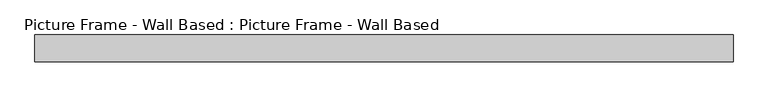
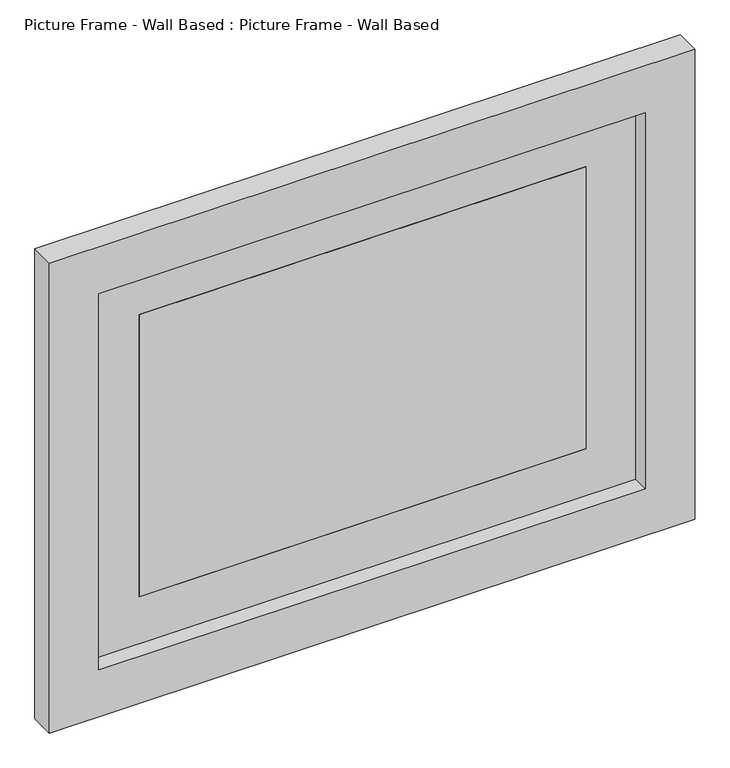
"""IFC4 building model written with IfcOpenShell, lengths in millimetres: proxy geometry, Picture Frame - Wall Based : Picture Frame - Wall Based."""

from ifc_helpers import new_model, si_unit, frame, origin, place, context, project, spatial, polyline, outline, extrude, source, transform, mapped, element, save


def picture_frame_wall_based_picture_frame_wall_based_d1b69a74(model_context):
    return source(origin(), model_context, "Body", "SweptSolid", [
        extrude(outline(polyline([(457.2, -105.8333333), (-457.2, -105.8333333), (-457.2, -88.9), (457.2, -88.9), (457.2, -105.8333333)])), frame((0.0, 0.0, 1459.8323307), z_axis=(0.0, 0.0, 1.0), x_axis=(1.0, 0.0, 0.0)), (0.0, 0.0, 1.0), 609.6),
        extrude(outline(polyline([(1358.2323307, 558.8), (2171.0323307, 558.8), (2171.0323307, -558.8), (1358.2323307, -558.8), (1358.2323307, 558.8)]), holes=[polyline([(1459.8323307, 457.2), (1459.8323307, -457.2), (2069.4323307, -457.2), (2069.4323307, 457.2), (1459.8323307, 457.2)])]), frame((0.0, -105.8333333, 0.0), z_axis=(0.0, 1.0, 0.0), x_axis=(0.0, 0.0, 1.0)), (0.0, 0.0, 1.0), 16.9333333),
        extrude(outline(polyline([(1256.6323307, 660.4), (2272.6323307, 660.4), (2272.6323307, -660.4), (1256.6323307, -660.4), (1256.6323307, 660.4)]), holes=[polyline([(1358.2323307, -558.8), (2171.0323307, -558.8), (2171.0323307, 558.8), (1358.2323307, 558.8), (1358.2323307, -558.8)])]), frame((0.0, -139.7, 0.0), z_axis=(0.0, 1.0, 0.0), x_axis=(0.0, 0.0, 1.0)), (0.0, 0.0, 1.0), 50.8),
    ])


if __name__ == "__main__":
    model = new_model("IFC4")
    model_context = context("Model", 3, world=origin())
    ifc_project = project(units=[si_unit("LENGTHUNIT", "METRE", prefix="MILLI")], contexts=[model_context])
    site = spatial("IfcSite", under=ifc_project)
    building = spatial("IfcBuilding", under=site)
    placement = place(None, origin())
    picture_frame_wall_based_picture_frame_wall_based_shape = picture_frame_wall_based_picture_frame_wall_based_d1b69a74(model_context)
    element("IfcBuildingElementProxy", 1, Name="Picture Frame - Wall Based : Picture Frame - Wall Based", ObjectType="Picture Frame - Wall Based : Picture Frame - Wall Based", at=placement, inside=building, context=model_context, shape_type="MappedRepresentation", body=[
        mapped(picture_frame_wall_based_picture_frame_wall_based_shape, transform((0.0, 0.0, 0.0), x_axis=(1.0, 0.0, 0.0), y_axis=(0.0, 1.0, 0.0), z_axis=(0.0, 0.0, 1.0))),
    ])
    save(model, "model.ifc")
